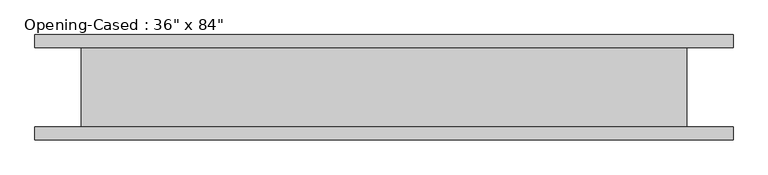
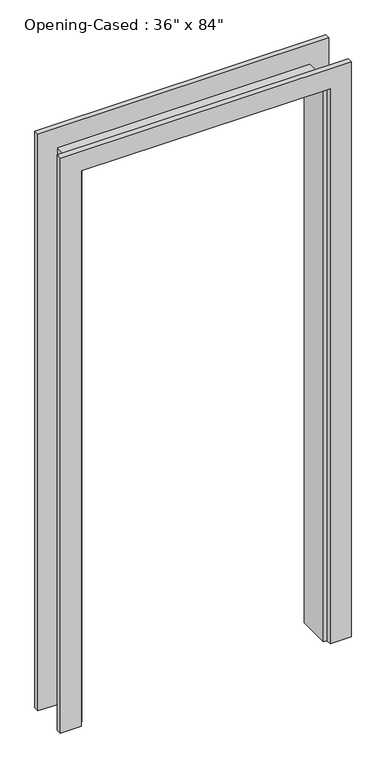
"""IFC4 building model written with IfcOpenShell, lengths in millimetres: proxy geometry."""

from ifc_helpers import new_model, si_unit, frame, origin, place, context, project, spatial, polyline, outline, extrude, faceted_brep, source, transform, mapped, element, save


def proxy_e7c0165f(model_context):
    return source(origin(), model_context, "Body", "SolidModel", [
        extrude(outline(polyline([(0.0, -459.0386567), (2127.25, -459.0386567), (2127.25, 442.6613433), (0.0, 442.6613433), (0.0, 518.8613433), (2203.45, 518.8613433), (2203.45, -535.2386567), (0.0, -535.2386567), (0.0, -459.0386567)])), frame((0.0, -79.375, 0.0), z_axis=(0.0, 1.0, 0.0), x_axis=(0.0, 0.0, 1.0)), (0.0, 0.0, 1.0), 19.05),
        extrude(outline(polyline([(0.0, 518.8613433), (2209.8, 518.8613433), (2209.8, -535.2386567), (0.0, -535.2386567), (0.0, -459.0386567), (2127.25, -459.0386567), (2127.25, 442.6613433), (0.0, 442.6613433), (0.0, 518.8613433)])), frame((0.0, 60.325, 0.0), z_axis=(0.0, 1.0, 0.0), x_axis=(0.0, 0.0, 1.0)), (0.0, 0.0, 1.0), 19.05),
        faceted_brep([(429.9613433, 60.325, 0.0), (449.0113433, 60.325, 0.0), (449.0113433, -60.325, 0.0), (429.9613433, -60.325, 0.0), (429.9613433, 60.325, 2114.55), (449.0113433, 60.325, 2133.6), (449.0113433, -60.325, 2133.6), (429.9613433, -60.325, 2114.55), (-446.3386567, 60.325, 2114.55), (-465.3886567, 60.325, 2133.6), (-465.3886567, -60.325, 2133.6), (-446.3386567, -60.325, 2114.55), (-446.3386567, 60.325, 0.0), (-446.3386567, -60.325, 0.0), (-465.3886567, -60.325, 0.0), (-465.3886567, 60.325, 0.0)], [[[0, 1, 2, 3]], [[1, 0, 4, 5]], [[2, 1, 5, 6]], [[3, 2, 6, 7]], [[0, 3, 7, 4]], [[5, 4, 8, 9]], [[6, 5, 9, 10]], [[7, 6, 10, 11]], [[4, 7, 11, 8]], [[12, 13, 14, 15]], [[9, 8, 12, 15]], [[10, 9, 15, 14]], [[11, 10, 14, 13]], [[8, 11, 13, 12]]]),
    ])


if __name__ == "__main__":
    model = new_model("IFC4")
    model_context = context("Model", 3, world=origin())
    ifc_project = project(units=[si_unit("LENGTHUNIT", "METRE", prefix="MILLI")], contexts=[model_context])
    site = spatial("IfcSite", under=ifc_project)
    building = spatial("IfcBuilding", under=site)
    placement = place(None, origin())
    proxy_shape = proxy_e7c0165f(model_context)
    element("IfcBuildingElementProxy", 1, Name="Opening-Cased : 36\" x 84\"", ObjectType="Opening-Cased : 36\" x 84\"", at=placement, inside=building, context=model_context, shape_type="MappedRepresentation", body=[
        mapped(proxy_shape, transform((0.0, 0.0, 0.0), x_axis=(1.0, 0.0, 0.0), y_axis=(0.0, 1.0, 0.0), z_axis=(0.0, 0.0, 1.0))),
    ])
    save(model, "model.ifc")
